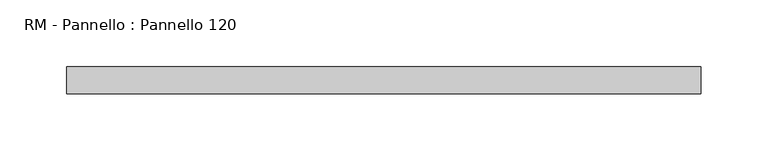
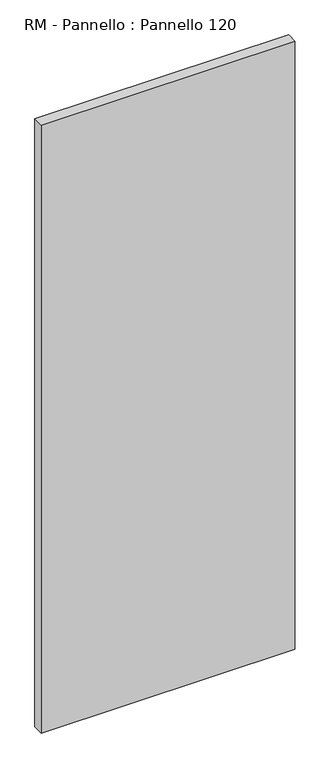
"""IFC4 building model written with IfcOpenShell, lengths in millimetres: plate geometry, RM - Pannello : Pannello 120."""

import ifcopenshell
import ifcopenshell.guid

model = None  # the IFC model being written
_history = None  # IfcOwnerHistory: only IFC2X3 demands one
_inside = {}  # id of a spatial element -> (the spatial element, [elements in it])
_under = {}  # id of a project, library or spatial element -> (it, [spatial elements below it])
_declared = {}  # id of a project -> (the project, [libraries it declares])
_typed = {}  # id of a type object -> (the type object, [elements of that type])
_made_of = {}  # id of a material, layer set ... -> (it, [elements and type objects made of it])


def new_model(schema):
    """Start an empty IFC model of exactly this schema.

    Asked for "IFC4X3", IfcOpenShell would pick the latest addendum, in which some entities
    have other attributes; the version numbers below select the first issue.
    IFC2X3 requires an IfcOwnerHistory on every rooted entity: one is made here for all.
    """
    global model, _history
    if schema == "IFC4X3":
        model = ifcopenshell.file(schema_version=(4, 3, 0, 0))
    else:
        model = ifcopenshell.file(schema=schema)
    _inside.clear()
    _under.clear()
    _declared.clear()
    _typed.clear()
    _made_of.clear()
    _history = None
    if model.schema == "IFC2X3":
        org = make("IfcOrganization", Name="unknown")
        user = make(
            "IfcPersonAndOrganization",
            ThePerson=make("IfcPerson", FamilyName="unknown"),
            TheOrganization=org,
        )
        app = make(
            "IfcApplication",
            ApplicationDeveloper=org,
            Version="unknown",
            ApplicationFullName="unknown",
            ApplicationIdentifier="unknown",
        )
        _history = make(
            "IfcOwnerHistory",
            OwningUser=user,
            OwningApplication=app,
            ChangeAction="ADDED",
            CreationDate=0,
        )
    return model


def make(cls, **values):
    """One entity of the class cls with the attributes given. An attribute that is None is left unset."""
    return model.create_entity(
        cls, **{name: value for name, value in values.items() if value is not None}
    )


def rooted(cls, **values):
    """An entity with a GlobalId (a new one), such as an element, a storey or a relation."""
    return make(cls, GlobalId=ifcopenshell.guid.new(), OwnerHistory=_history, **values)


def si_unit(unit_type, name, prefix=None):
    """IfcSIUnit, for example si_unit("LENGTHUNIT", "METRE", prefix="MILLI")."""
    return make("IfcSIUnit", UnitType=unit_type, Prefix=prefix, Name=name)


def assignment(units):
    """IfcUnitAssignment: the units of a project."""
    return None if units is None else make("IfcUnitAssignment", Units=units)


def point(xyz):
    """IfcCartesianPoint."""
    return None if xyz is None else make("IfcCartesianPoint", Coordinates=xyz)


def direction(xyz):
    """IfcDirection."""
    return None if xyz is None else make("IfcDirection", DirectionRatios=xyz)


def frame(location, z_axis=None, x_axis=None):
    """IfcAxis2Placement3D, a coordinate frame: its origin and axes. An axis left out is left unset."""
    return make(
        "IfcAxis2Placement3D",
        Location=point(location),
        Axis=direction(z_axis),
        RefDirection=direction(x_axis),
    )


def origin():
    """The frame at (0, 0, 0) with its axes left unset."""
    return frame((0.0, 0.0, 0.0))


def origin_with_axes():
    """The frame at (0, 0, 0) with the z axis (0, 0, 1) and the x axis (1, 0, 0) written out."""
    return frame((0.0, 0.0, 0.0), z_axis=(0.0, 0.0, 1.0), x_axis=(1.0, 0.0, 0.0))


def place(relative_to, where):
    """IfcLocalPlacement: puts the frame where relative to a parent placement (None: the world)."""
    return make(
        "IfcLocalPlacement", PlacementRelTo=relative_to, RelativePlacement=where
    )


def context(
    kind, dimensions, precision=None, world=None, true_north=None, identifier=None
):
    """IfcGeometricRepresentationContext, for example the 3D "Model" context."""
    return make(
        "IfcGeometricRepresentationContext",
        ContextIdentifier=identifier,
        ContextType=kind,
        CoordinateSpaceDimension=dimensions,
        Precision=precision,
        WorldCoordinateSystem=world,
        TrueNorth=true_north,
    )


def project(units=None, contexts=None):
    """IfcProject with its units and contexts."""
    return rooted(
        "IfcProject",
        Name="project",
        RepresentationContexts=contexts,
        UnitsInContext=assignment(units),
    )


def spatial(cls, under=None, at=None, **own):
    """A site, building, storey or space (cls), placed at a placement, below another one or the project."""
    s = rooted(cls, ObjectPlacement=at, **own)
    if under is not None:
        _under.setdefault(under.id(), (under, []))[1].append(s)
    return s


def polyline(points):
    """IfcPolyline through the points."""
    return make("IfcPolyline", Points=[point(p) for p in points])


def outline(outer, holes=None, kind="AREA"):
    """IfcArbitraryClosedProfileDef: a profile drawn as a closed curve; with holes, ...WithVoids."""
    if holes is None:
        return make("IfcArbitraryClosedProfileDef", ProfileType=kind, OuterCurve=outer)
    return make(
        "IfcArbitraryProfileDefWithVoids",
        ProfileType=kind,
        OuterCurve=outer,
        InnerCurves=holes,
    )


def extrude(swept, where, along, depth):
    """IfcExtrudedAreaSolid: the profile swept, set in the frame where, extruded along a direction by depth."""
    return make(
        "IfcExtrudedAreaSolid",
        SweptArea=swept,
        Position=where,
        ExtrudedDirection=direction(along),
        Depth=depth,
    )


def shape(context_of_items, identifier, shape_type, items):
    """IfcShapeRepresentation: the items that make up one representation, for example the "Body"."""
    return make(
        "IfcShapeRepresentation",
        ContextOfItems=context_of_items,
        RepresentationIdentifier=identifier,
        RepresentationType=shape_type,
        Items=items,
    )


def source(mapping_origin, context_of_items, identifier, shape_type, items):
    """IfcRepresentationMap: a shape defined once, which mapped items show again and again."""
    return make(
        "IfcRepresentationMap",
        MappingOrigin=mapping_origin,
        MappedRepresentation=shape(context_of_items, identifier, shape_type, items),
    )


def transform(
    local_origin,
    x_axis=None,
    y_axis=None,
    z_axis=None,
    scale=None,
    scale2=None,
    scale3=None,
    uniform=True,
):
    """IfcCartesianTransformationOperator3D, or its non-uniform kind. x_axis, y_axis, z_axis: its Axis1, 2, 3."""
    if uniform:
        return make(
            "IfcCartesianTransformationOperator3D",
            Axis1=direction(x_axis),
            Axis2=direction(y_axis),
            LocalOrigin=point(local_origin),
            Scale=scale,
            Axis3=direction(z_axis),
        )
    return make(
        "IfcCartesianTransformationOperator3DnonUniform",
        Axis1=direction(x_axis),
        Axis2=direction(y_axis),
        LocalOrigin=point(local_origin),
        Scale=scale,
        Axis3=direction(z_axis),
        Scale2=scale2,
        Scale3=scale3,
    )


def mapped(mapping_source, mapping_target):
    """IfcMappedItem: shows the shape of a source again, moved by a transform."""
    return make(
        "IfcMappedItem", MappingSource=mapping_source, MappingTarget=mapping_target
    )


def made_of(thing, what):
    """Note that an element or type object is made of a material, layer set ...; save() writes the relation."""
    if what is not None:
        _made_of.setdefault(what.id(), (what, []))[1].append(thing)
    return thing


def element(
    cls,
    number,
    at=None,
    inside=None,
    cuts=None,
    type_object=None,
    material=None,
    context=None,
    identifier="Body",
    shape_type=None,
    held_by="IfcProductDefinitionShape",
    body=None,
    shapes=None,
    **own,
):
    """One element of the class cls, such as IfcWall. Its Tag is "e" and its number.

    at: its placement. inside: the storey or other place that contains it. cuts: it is an
    opening in that element (IfcRelVoidsElement). A single representation is given by context,
    identifier, shape_type and body (its items); several are given by shapes. held_by: the class
    of the entity that holds the representations. save() writes the other relations.
    """
    e = rooted(cls, Tag="e%d" % number, ObjectPlacement=at, **own)
    if body is not None:
        shapes = [shape(context, identifier, shape_type, body)]
    if shapes is not None:
        e.Representation = make(held_by, Representations=shapes)
    if inside is not None:
        _inside.setdefault(inside.id(), (inside, []))[1].append(e)
    if cuts is not None:
        rooted(
            "IfcRelVoidsElement", RelatingBuildingElement=cuts, RelatedOpeningElement=e
        )
    if type_object is not None:
        _typed.setdefault(type_object.id(), (type_object, []))[1].append(e)
    return made_of(e, material)


def aggregate(whole, parts):
    """IfcRelAggregates: a whole, such as a stair, and the parts it consists of."""
    return rooted("IfcRelAggregates", RelatingObject=whole, RelatedObjects=parts)


def save(model, path):
    """Write the relations noted so far, then the file.

    IfcRelAggregates (storeys below a building ...), IfcRelContainedInSpatialStructure (elements
    in a storey), IfcRelDefinesByType, IfcRelAssociatesMaterial and IfcRelDeclares: one each for
    every whole, place, type object, material and project.
    """
    for whole, parts in _under.values():
        aggregate(whole, parts)
    for where, things in _inside.values():
        rooted(
            "IfcRelContainedInSpatialStructure",
            RelatedElements=things,
            RelatingStructure=where,
        )
    for kind, things in _typed.values():
        rooted("IfcRelDefinesByType", RelatedObjects=things, RelatingType=kind)
    for what, things in _made_of.values():
        rooted("IfcRelAssociatesMaterial", RelatedObjects=things, RelatingMaterial=what)
    for by, libraries in _declared.values():
        rooted("IfcRelDeclares", RelatingContext=by, RelatedDefinitions=libraries)
    model.write(path)


def rm_pannello_pannello_120_22c80f27(model_context):
    return source(origin(), model_context, "Body", "SweptSolid", [
        extrude(outline(polyline([(237.0, 200.0), (237.0, 180.0), (-237.0, 180.0), (-237.0, 200.0), (237.0, 200.0)])), origin_with_axes(), (0.0, 0.0, 1.0), 1200.0),
    ])


if __name__ == "__main__":
    model = new_model("IFC4")
    model_context = context("Model", 3, world=origin())
    ifc_project = project(units=[si_unit("LENGTHUNIT", "METRE", prefix="MILLI")], contexts=[model_context])
    site = spatial("IfcSite", under=ifc_project)
    building = spatial("IfcBuilding", under=site)
    placement = place(None, origin())
    rm_pannello_pannello_120_shape = rm_pannello_pannello_120_22c80f27(model_context)
    element("IfcPlate", 1, ObjectType="RM - Pannello : Pannello 120", at=placement, inside=building, context=model_context, shape_type="MappedRepresentation", body=[
        mapped(rm_pannello_pannello_120_shape, transform((0.0, 0.0, 0.0), x_axis=(1.0, 0.0, 0.0), y_axis=(0.0, 1.0, 0.0), z_axis=(0.0, 0.0, 1.0))),
    ])
    save(model, "model.ifc")
